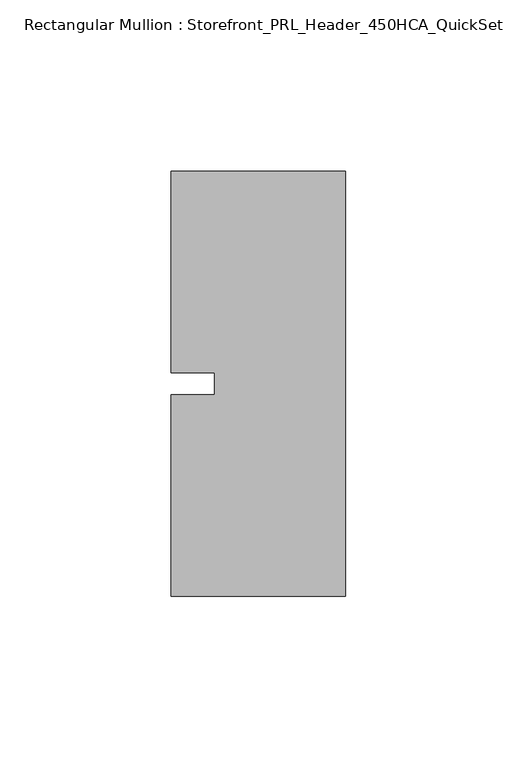
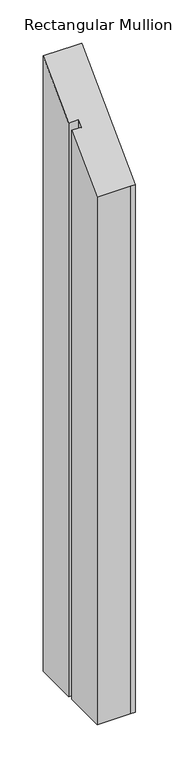
"""IFC4 building model written with IfcOpenShell, lengths in millimetres: member geometry, Rectangular Mullion : Storefront_PRL_Header_450HCA_QuickSet."""

from ifc_helpers import new_model, si_unit, origin, place, context, project, spatial, faceted_brep, source, transform, mapped, element, save


def rectangular_mullion_storefront_prl_header_450hca_quickset_674b87cf(model_context):
    return source(origin(), model_context, "Body", "Brep", [
        faceted_brep([(-38.1, -3.175, -804.3333333), (-38.1, 3.175, -804.3333333), (-50.8, 3.175, -804.3333333), (-50.8, 61.9125, -804.3333333), (-7.7254924, 61.9125, -804.3333333), (0.0, 61.9125, -804.3333333), (0.0, -61.9125, -804.3333333), (-6.35, -61.9125, -804.3333333), (-50.8, -61.9125, -804.3333333), (-50.8, -3.175, -804.3333333), (-50.8, -3.175, -3.175), (-38.1, -3.175, -3.175), (-50.8, -61.9125, -61.9125), (-6.35, -61.9125, -61.9125), (0.0, -61.9125, -61.9125), (0.0, 61.9125, 61.9125), (-7.7254924, 61.9125, 61.9125), (-50.8, 61.9125, 61.9125), (-50.8, 3.175, 3.175), (-38.1, 3.175, 3.175)], [[[0, 1, 2, 3, 4, 5, 6, 7, 8, 9]], [[10, 11, 0, 9]], [[12, 10, 9, 8]], [[13, 12, 8, 7]], [[14, 13, 7, 6]], [[15, 14, 6, 5]], [[16, 15, 5, 4]], [[17, 16, 4, 3]], [[18, 17, 3, 2]], [[19, 18, 2, 1]], [[11, 19, 1, 0]], [[11, 10, 12, 13, 14, 15, 16, 17, 18, 19]]]),
    ])


if __name__ == "__main__":
    model = new_model("IFC4")
    model_context = context("Model", 3, world=origin())
    ifc_project = project(units=[si_unit("LENGTHUNIT", "METRE", prefix="MILLI")], contexts=[model_context])
    site = spatial("IfcSite", under=ifc_project)
    building = spatial("IfcBuilding", under=site)
    placement = place(None, origin())
    rectangular_mullion_storefront_prl_header_450hca_quickset_shape = rectangular_mullion_storefront_prl_header_450hca_quickset_674b87cf(model_context)
    element("IfcMember", 1, ObjectType="Rectangular Mullion : Storefront_PRL_Header_450HCA_QuickSet", at=placement, inside=building, context=model_context, shape_type="MappedRepresentation", body=[
        mapped(rectangular_mullion_storefront_prl_header_450hca_quickset_shape, transform((0.0, 0.0, 0.0), x_axis=(1.0, 0.0, 0.0), y_axis=(0.0, 1.0, 0.0), z_axis=(0.0, 0.0, 1.0))),
    ])
    save(model, "model.ifc")
